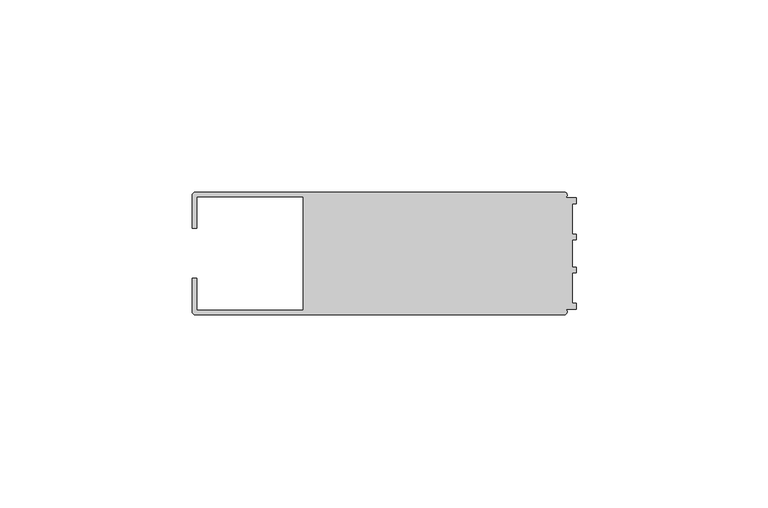
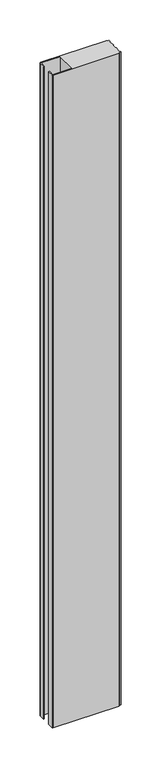
"""IFC4 building model written with IfcOpenShell, lengths in millimetres: member geometry."""

from ifc_helpers import new_model, si_unit, point, frame, frame_2d, origin, place, context, project, spatial, polyline, circle_curve, trimmed, segment, composite_curve, outline, extrude, source, transform, mapped, element, save


def member_cb3c02c8(model_context):
    return source(origin(), model_context, "Body", "SweptSolid", [
        extrude(outline(composite_curve([segment(polyline([(-100.0, 6.5), (-100.0, 14.998921)]), True, "CONTINUOUS"), segment(trimmed(circle_curve(frame_2d((-98.998921, 14.998921)), 1.001079), [point((-100.0, 14.998921))], [point((-98.998921, 16.0))], False, "CARTESIAN"), True, "CONTINUOUS"), segment(polyline([(-98.998921, 16.0), (-3.1385263, 16.0)]), True, "CONTINUOUS"), segment(trimmed(circle_curve(frame_2d((-3.1117577, 15.2001372)), 0.8003107), [point((-3.1385263, 16.0))], [point((-2.7260256, 14.4989182))], False, "CARTESIAN"), True, "CONTINUOUS"), segment(polyline([(-2.7260256, 14.4989182), (0.0, 14.4989182), (0.0, 12.9993664), (-0.999267, 12.9993664), (-0.999267, 5.0000405), (0.0, 5.0000405), (0.0, 3.5386284), (-0.999267, 3.5009282), (-0.999267, -3.5009282), (0.0, -3.5398992), (0.0, -5.0013113), (-0.999267, -5.0013113), (-0.999267, -13.0002136), (0.0, -13.0002136), (0.0, -14.5004469), (-2.7237818, -14.5004469)]), True, "CONTINUOUS"), segment(trimmed(circle_curve(frame_2d((-3.1117213, -15.2000428)), 0.7999572), [point((-2.7237818, -14.5004469))], [point((-3.1117213, -16.0))], False, "CARTESIAN"), True, "CONTINUOUS"), segment(polyline([(-3.1117213, -16.0), (-98.9988146, -16.0)]), True, "CONTINUOUS"), segment(trimmed(circle_curve(frame_2d((-98.9988146, -14.9988146)), 1.0011854), [point((-98.9988146, -16.0))], [point((-100.0, -14.9988146))], False, "CARTESIAN"), True, "CONTINUOUS"), segment(polyline([(-100.0, -14.9988146), (-100.0, -6.5002542), (-98.7495396, -6.5002542), (-98.7495396, -14.7490791), (-71.0, -14.7490791), (-71.0, 14.748825), (-98.7495396, 14.748825), (-98.7495396, 6.5), (-100.0, 6.5)]), True, "CONTINUOUS")], self_intersect=False)), frame((0.0, 0.0, -1000.0000001), z_axis=(0.0, 0.0, 1.0), x_axis=(1.0, 0.0, 0.0)), (0.0, 0.0, 1.0), 1000.0000001),
    ])


if __name__ == "__main__":
    model = new_model("IFC4")
    model_context = context("Model", 3, world=origin())
    ifc_project = project(units=[si_unit("LENGTHUNIT", "METRE", prefix="MILLI")], contexts=[model_context])
    site = spatial("IfcSite", under=ifc_project)
    building = spatial("IfcBuilding", under=site)
    placement = place(None, origin())
    member_shape = member_cb3c02c8(model_context)
    element("IfcMember", 1, at=placement, inside=building, context=model_context, shape_type="MappedRepresentation", body=[
        mapped(member_shape, transform((0.0, 0.0, 0.0), x_axis=(1.0, 0.0, 0.0), y_axis=(0.0, 1.0, 0.0), z_axis=(0.0, 0.0, 1.0))),
    ])
    save(model, "model.ifc")
